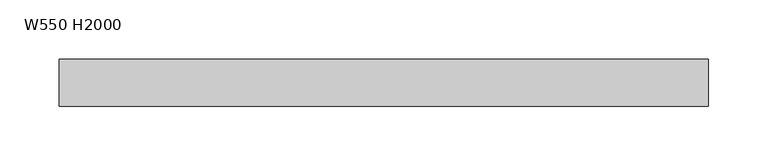
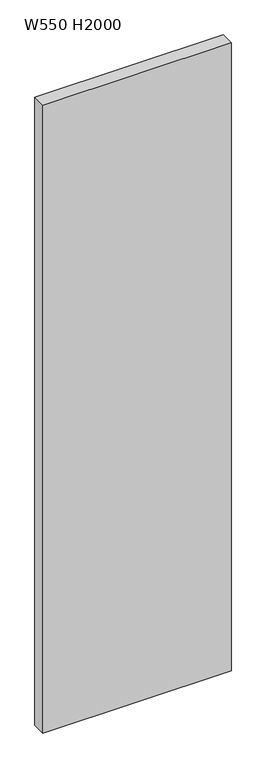
"""IFC4 building model written with IfcOpenShell, lengths in millimetres: proxy geometry, W550 H2000."""

from ifc_helpers import new_model, si_unit, frame, origin, place, context, project, spatial, polyline, outline, extrude, source, transform, mapped, element, save


def w550_h2000_5054dc5e(model_context):
    return source(origin(), model_context, "Body", "SweptSolid", [
        extrude(outline(polyline([(400.0, -20.0), (-150.0, -20.0), (-150.0, 20.0), (400.0, 20.0), (400.0, -20.0)])), frame((0.0, 0.0, 60.0), z_axis=(0.0, 0.0, 1.0), x_axis=(1.0, 0.0, 0.0)), (0.0, 0.0, 1.0), 1940.0),
    ])


if __name__ == "__main__":
    model = new_model("IFC4")
    model_context = context("Model", 3, world=origin())
    ifc_project = project(units=[si_unit("LENGTHUNIT", "METRE", prefix="MILLI")], contexts=[model_context])
    site = spatial("IfcSite", under=ifc_project)
    building = spatial("IfcBuilding", under=site)
    placement = place(None, origin())
    w550_h2000_shape = w550_h2000_5054dc5e(model_context)
    element("IfcBuildingElementProxy", 1, Name="W550 H2000", ObjectType="W550 H2000", at=placement, inside=building, context=model_context, shape_type="MappedRepresentation", body=[
        mapped(w550_h2000_shape, transform((0.0, 0.0, 0.0), x_axis=(1.0, 0.0, 0.0), y_axis=(0.0, 1.0, 0.0), z_axis=(0.0, 0.0, 1.0))),
    ])
    save(model, "model.ifc")
